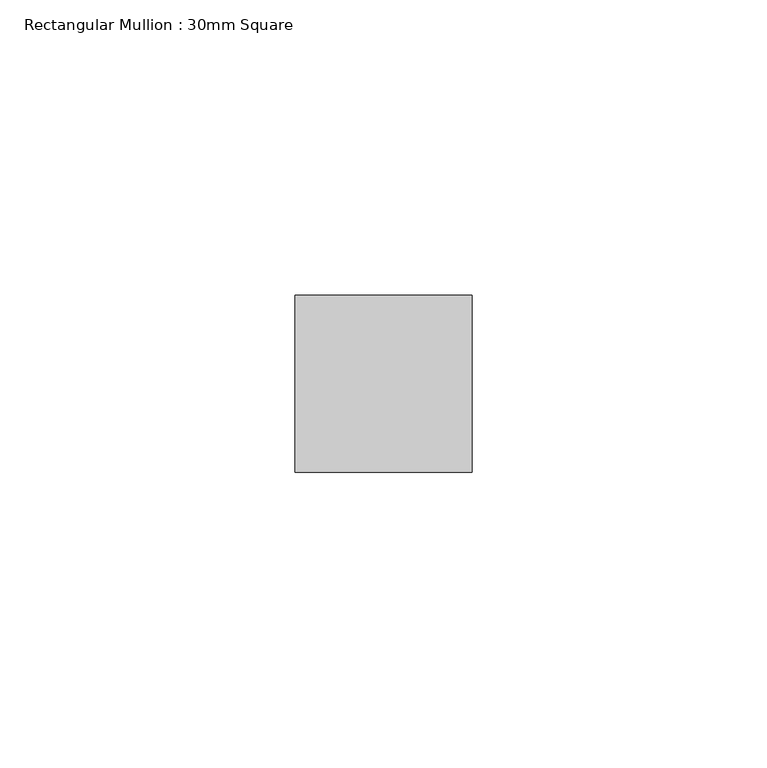
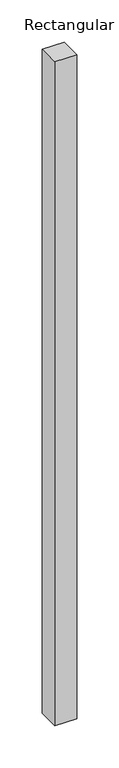
"""IFC4 building model written with IfcOpenShell, lengths in millimetres: member geometry, Rectangular Mullion : 30mm Square."""

from ifc_helpers import new_model, si_unit, frame, origin, place, context, project, spatial, polyline, outline, extrude, source, transform, mapped, element, save


def rectangular_mullion_30mm_square_6744d5d1(model_context):
    return source(origin(), model_context, "Body", "SweptSolid", [
        extrude(outline(polyline([(15.0, 15.0), (15.0, -15.0), (-15.0, -15.0), (-15.0, 15.0), (15.0, 15.0)])), frame((0.0, 0.0, -961.2561064), z_axis=(0.0, 0.0, 1.0), x_axis=(1.0, 0.0, 0.0)), (0.0, 0.0, 1.0), 961.2561064),
    ])


if __name__ == "__main__":
    model = new_model("IFC4")
    model_context = context("Model", 3, world=origin())
    ifc_project = project(units=[si_unit("LENGTHUNIT", "METRE", prefix="MILLI")], contexts=[model_context])
    site = spatial("IfcSite", under=ifc_project)
    building = spatial("IfcBuilding", under=site)
    placement = place(None, origin())
    rectangular_mullion_30mm_square_shape = rectangular_mullion_30mm_square_6744d5d1(model_context)
    element("IfcMember", 1, ObjectType="Rectangular Mullion : 30mm Square", at=placement, inside=building, context=model_context, shape_type="MappedRepresentation", body=[
        mapped(rectangular_mullion_30mm_square_shape, transform((0.0, 0.0, 0.0), x_axis=(1.0, 0.0, 0.0), y_axis=(0.0, 1.0, 0.0), z_axis=(0.0, 0.0, 1.0))),
    ])
    save(model, "model.ifc")
